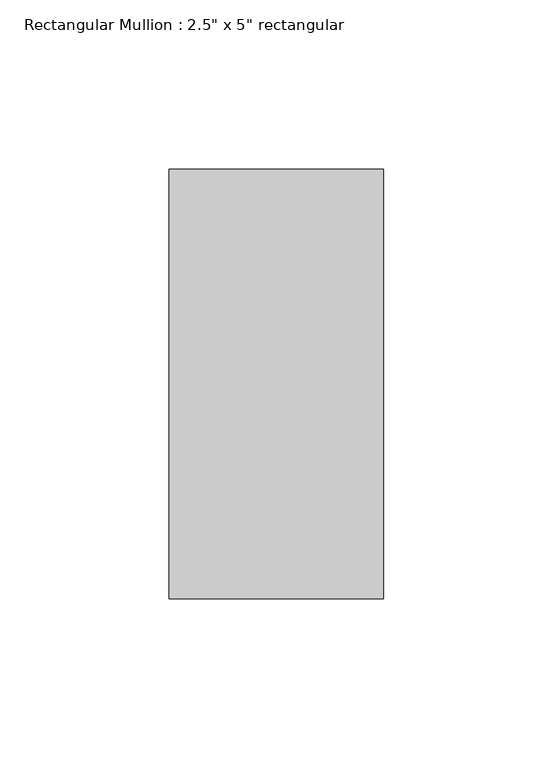
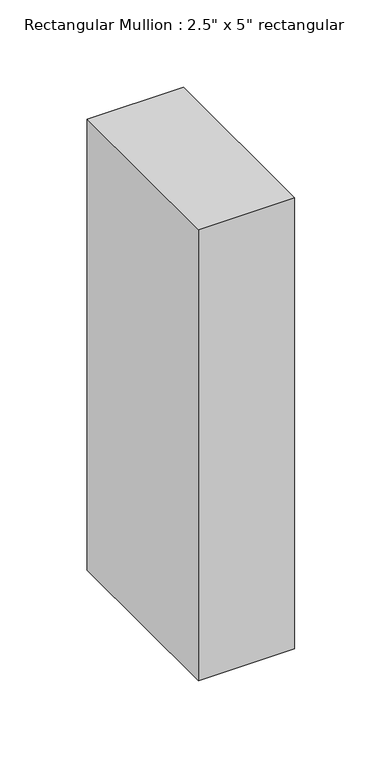
"""IFC4 building model written with IfcOpenShell, lengths in millimetres: member geometry."""

from ifc_helpers import new_model, si_unit, frame, origin, place, context, project, spatial, polyline, outline, extrude, source, transform, mapped, element, save


def member_0b7770ff(model_context):
    return source(origin(), model_context, "Body", "SweptSolid", [
        extrude(outline(polyline([(31.75, 63.5), (31.75, -63.5), (-31.75, -63.5), (-31.75, 63.5), (31.75, 63.5)])), frame((0.0, 0.0, -314.75), z_axis=(0.0, 0.0, 1.0), x_axis=(1.0, 0.0, 0.0)), (0.0, 0.0, 1.0), 314.75),
    ])


if __name__ == "__main__":
    model = new_model("IFC4")
    model_context = context("Model", 3, world=origin())
    ifc_project = project(units=[si_unit("LENGTHUNIT", "METRE", prefix="MILLI")], contexts=[model_context])
    site = spatial("IfcSite", under=ifc_project)
    building = spatial("IfcBuilding", under=site)
    placement = place(None, origin())
    member_shape = member_0b7770ff(model_context)
    element("IfcMember", 1, ObjectType="Rectangular Mullion : 2.5\" x 5\" rectangular", at=placement, inside=building, context=model_context, shape_type="MappedRepresentation", body=[
        mapped(member_shape, transform((0.0, 0.0, 0.0), x_axis=(1.0, 0.0, 0.0), y_axis=(0.0, 1.0, 0.0), z_axis=(0.0, 0.0, 1.0))),
    ])
    save(model, "model.ifc")
